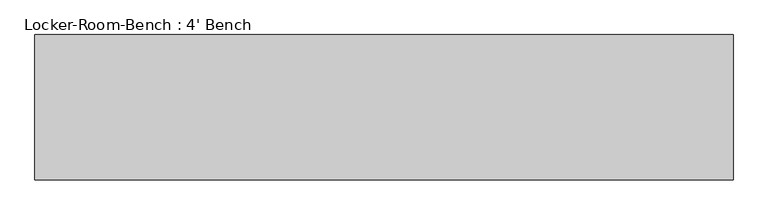
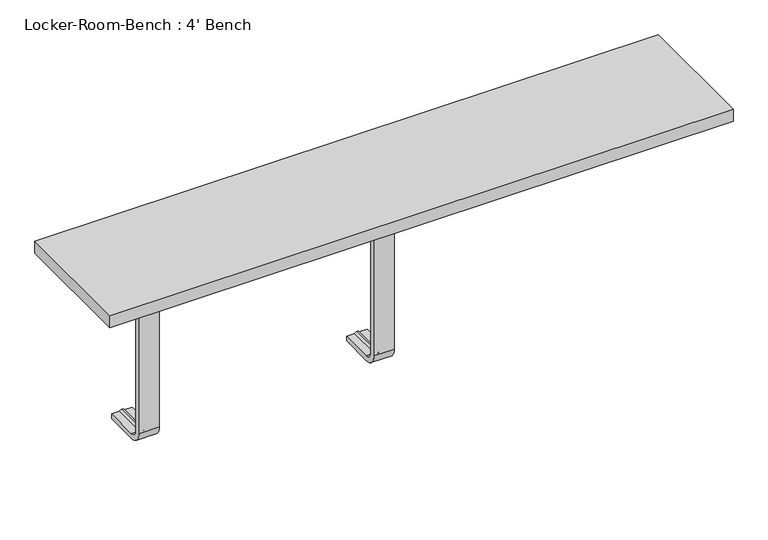
"""IFC4 building model written with IfcOpenShell, lengths in millimetres: furniture geometry, Locker-Room-Bench : 4' Bench."""

from ifc_helpers import new_model, si_unit, point, frame, origin, place, context, project, spatial, polyline, circle_curve, ellipse_curve, trimmed, outline, extrude, source, transform, mapped, element, save
from ifc_brep_helpers import plane_surface, cylinder_surface, revolved_surface, advanced_brep


def locker_room_bench_4_bench_68e361d2(model_context):
    return source(origin(), model_context, "Body", "SolidModel", [
        advanced_brep(
        [(-439.6, 92.0, 381.4), (-439.6, 92.0, 371.4), (-454.6, 92.0, 371.4), (-459.6, 92.0, 369.0684617), (-464.6, 92.0, 371.4), (-479.6, 92.0, 371.4), (-479.6, 92.0, 381.4), (-479.6, 25.0, 381.4), (-439.6, 25.0, 381.4), (-479.6, 25.0, 371.4), (-479.6, 10.0, 356.4), (-479.6, 10.0, 40.0), (-479.6, 25.0, 25.0), (-479.6, 92.0, 25.0), (-479.6, 92.0, 15.0), (-479.6, 25.0, 15.0), (-479.6, 0.0, 40.0), (-479.6, 0.0, 356.4), (-464.6, 25.0, 371.4), (-459.6, 25.0, 369.0684617), (-454.6, 25.0, 371.4), (-439.6, 25.0, 371.4), (-439.6, 0.0, 356.4), (-439.6, 0.0, 40.0), (-439.6, 25.0, 15.0), (-439.6, 92.0, 15.0), (-439.6, 92.0, 25.0), (-439.6, 25.0, 25.0), (-439.6, 10.0, 40.0), (-439.6, 10.0, 356.4), (-464.6, 10.0, 356.4), (-459.6, 12.3315383, 356.4), (-454.6, 10.0, 356.4), (-464.6, 10.0, 40.0), (-459.6, 12.3315383, 40.0), (-454.6, 10.0, 40.0), (-464.6, 25.0, 25.0), (-459.6, 25.0, 27.3315383), (-454.6, 25.0, 25.0), (-464.6, 92.0, 25.0), (-459.6, 92.0, 27.3315383), (-454.6, 92.0, 25.0)],
        [
            (0, 1),
            (1, 2),
            (2, 3, circle_curve(frame((-459.3003591, 92.0, 374.9529162), z_axis=(0.0, 1.0, 0.0), x_axis=(0.0, 0.0, 1.0)), 5.8920785)),
            (3, 4, circle_curve(frame((-459.8996409, 92.0, 374.9529162), z_axis=(0.0, 1.0, 0.0), x_axis=(0.0, 0.0, 1.0)), 5.8920785)),
            (4, 5),
            (5, 6),
            (6, 0),
            (6, 7),
            (7, 8),
            (8, 0),
            (5, 9),
            (9, 10, circle_curve(frame((-479.6, 25.0, 356.4), z_axis=(1.0, 0.0, 0.0), x_axis=(0.0, 0.0, 1.0)), 15.0)),
            (10, 11),
            (11, 12, circle_curve(frame((-479.6, 25.0, 40.0), z_axis=(1.0, 0.0, 0.0), x_axis=(0.0, -1.0, 0.0)), 15.0)),
            (12, 13),
            (13, 14),
            (14, 15),
            (15, 16, circle_curve(frame((-479.6, 25.0, 40.0), z_axis=(-1.0, 0.0, 0.0), x_axis=(0.0, -1.0, 0.0)), 25.0)),
            (16, 17),
            (17, 7, circle_curve(frame((-479.6, 25.0, 356.4), z_axis=(-1.0, 0.0, 0.0), x_axis=(0.0, 0.0, 1.0)), 25.0)),
            (4, 18),
            (18, 9),
            (3, 19),
            (19, 18, circle_curve(frame((-459.8996409, 25.0, 374.9529162), z_axis=(0.0, 1.0, 0.0), x_axis=(0.0, 0.0, 1.0)), 5.8920785)),
            (2, 20),
            (20, 19, circle_curve(frame((-459.3003591, 25.0, 374.9529162), z_axis=(0.0, 1.0, 0.0), x_axis=(0.0, 0.0, 1.0)), 5.8920785)),
            (1, 21),
            (21, 20),
            (8, 22, circle_curve(frame((-439.6, 25.0, 356.4), z_axis=(1.0, 0.0, 0.0), x_axis=(0.0, 0.0, 1.0)), 25.0)),
            (22, 23),
            (23, 24, circle_curve(frame((-439.6, 25.0, 40.0), z_axis=(1.0, 0.0, 0.0), x_axis=(0.0, -1.0, 0.0)), 25.0)),
            (24, 25),
            (25, 26),
            (26, 27),
            (27, 28, circle_curve(frame((-439.6, 25.0, 40.0), z_axis=(-1.0, 0.0, 0.0), x_axis=(0.0, -1.0, 0.0)), 15.0)),
            (28, 29),
            (29, 21, circle_curve(frame((-439.6, 25.0, 356.4), z_axis=(-1.0, 0.0, 0.0), x_axis=(0.0, 0.0, 1.0)), 15.0)),
            (17, 22),
            (30, 10),
            (18, 30, circle_curve(frame((-464.6, 25.0, 356.4), z_axis=(1.0, 0.0, 0.0), x_axis=(0.0, 0.0, 1.0)), 15.0)),
            (31, 30, circle_curve(frame((-459.8996409, 6.4470838, 356.4), z_axis=(0.0, 0.0, 1.0), x_axis=(0.0, -1.0, 0.0)), 5.8920785)),
            (19, 31, circle_curve(frame((-459.6, 25.0, 356.4), z_axis=(1.0, 0.0, 0.0), x_axis=(0.0, 0.0, 1.0)), 12.6684617)),
            (32, 31, circle_curve(frame((-459.3003591, 6.4470838, 356.4), z_axis=(0.0, 0.0, 1.0), x_axis=(0.0, -1.0, 0.0)), 5.8920785)),
            (20, 32, circle_curve(frame((-454.6, 25.0, 356.4), z_axis=(1.0, 0.0, 0.0), x_axis=(0.0, 0.0, 1.0)), 15.0)),
            (29, 32),
            (16, 23),
            (30, 33),
            (33, 11),
            (31, 34),
            (34, 33, circle_curve(frame((-459.8996409, 6.4470838, 40.0), z_axis=(0.0, 0.0, 1.0), x_axis=(0.0, -1.0, 0.0)), 5.8920785)),
            (32, 35),
            (35, 34, circle_curve(frame((-459.3003591, 6.4470838, 40.0), z_axis=(0.0, 0.0, 1.0), x_axis=(0.0, -1.0, 0.0)), 5.8920785)),
            (28, 35),
            (15, 24),
            (36, 12),
            (33, 36, circle_curve(frame((-464.6, 25.0, 40.0), z_axis=(1.0, 0.0, 0.0), x_axis=(0.0, -1.0, 0.0)), 15.0)),
            (37, 36, circle_curve(frame((-459.8996409, 25.0, 21.4470838), z_axis=(0.0, -1.0, 0.0), x_axis=(0.0, 0.0, -1.0)), 5.8920785)),
            (34, 37, circle_curve(frame((-459.6, 25.0, 40.0), z_axis=(1.0, 0.0, 0.0), x_axis=(0.0, -1.0, 0.0)), 12.6684617)),
            (38, 37, circle_curve(frame((-459.3003591, 25.0, 21.4470838), z_axis=(0.0, -1.0, 0.0), x_axis=(0.0, 0.0, -1.0)), 5.8920785)),
            (35, 38, circle_curve(frame((-454.6, 25.0, 40.0), z_axis=(1.0, 0.0, 0.0), x_axis=(0.0, -1.0, 0.0)), 15.0)),
            (27, 38),
            (25, 14),
            (13, 39),
            (39, 40, circle_curve(frame((-459.8996409, 92.0, 21.4470838), z_axis=(0.0, 1.0, 0.0), x_axis=(0.0, 0.0, -1.0)), 5.8920785)),
            (40, 41, circle_curve(frame((-459.3003591, 92.0, 21.4470838), z_axis=(0.0, 1.0, 0.0), x_axis=(0.0, 0.0, -1.0)), 5.8920785)),
            (41, 26),
            (36, 39),
            (37, 40),
            (38, 41),
        ],
        [
            plane_surface(frame((-459.6, 92.0, 381.4), z_axis=(0.0, 1.0, 0.0), x_axis=(1.0, 0.0, 0.0))),
            plane_surface(frame((-439.6, 92.0, 381.4), z_axis=(0.0, 0.0, 1.0), x_axis=(0.0, -1.0, 0.0))),
            plane_surface(frame((-479.6, 92.0, 381.4), z_axis=(-1.0, 0.0, 0.0), x_axis=(0.0, -1.0, 0.0))),
            plane_surface(frame((-479.6, 92.0, 371.4), z_axis=(0.0, 0.0, -1.0), x_axis=(0.0, -1.0, 0.0))),
            cylinder_surface(frame((-459.8996409, 92.0, 374.9529162), z_axis=(0.0, 1.0, 0.0), x_axis=(0.0, 0.0, 1.0)), 5.8920785),
            cylinder_surface(frame((-459.3003591, 92.0, 374.9529162), z_axis=(0.0, 1.0, 0.0), x_axis=(0.0, 0.0, 1.0)), 5.8920785),
            plane_surface(frame((-454.6, 92.0, 371.4), z_axis=(0.0, 0.0, -1.0), x_axis=(0.0, -1.0, 0.0))),
            plane_surface(frame((-439.6, 92.0, 371.4), z_axis=(1.0, 0.0, 0.0), x_axis=(0.0, -1.0, 0.0))),
            cylinder_surface(frame((-459.6, 25.0, 356.4), z_axis=(-1.0, 0.0, 0.0), x_axis=(0.0, 0.0, 1.0)), 25.0),
            revolved_surface(polyline([(-479.6, 25.0, 371.4), (-464.6, 25.0, 371.4)]), (-459.6, 25.0, 356.4), (-1.0, 0.0, 0.0)),
            revolved_surface(trimmed(ellipse_curve(frame((-459.8996409, 25.0, 374.9529162), z_axis=(0.0, -1.0, 0.0), x_axis=(0.0, 0.0, 1.0)), 5.8920785, 5.8920785), [point((-464.6, 25.0, 371.4))], [point((-459.6, 25.0, 369.0684617))], True, "CARTESIAN"), (-459.6, 25.0, 356.4), (-1.0, 0.0, 0.0)),
            revolved_surface(trimmed(ellipse_curve(frame((-459.3003591, 25.0, 374.9529162), z_axis=(0.0, -1.0, 0.0), x_axis=(0.0, 0.0, 1.0)), 5.8920785, 5.8920785), [point((-459.6, 25.0, 369.0684617))], [point((-454.6, 25.0, 371.4))], True, "CARTESIAN"), (-459.6, 25.0, 356.4), (-1.0, 0.0, 0.0)),
            revolved_surface(polyline([(-454.6, 25.0, 371.4), (-439.6, 25.0, 371.4)]), (-459.6, 25.0, 356.4), (-1.0, 0.0, 0.0)),
            plane_surface(frame((-439.6, 0.0, 356.4), z_axis=(0.0, -1.0, 0.0), x_axis=(0.0, 0.0, -1.0))),
            plane_surface(frame((-479.6, 10.0, 356.4), z_axis=(0.0, 1.0, 0.0), x_axis=(0.0, 0.0, -1.0))),
            cylinder_surface(frame((-459.8996409, 6.4470838, 356.4), z_axis=(0.0, 0.0, 1.0), x_axis=(0.0, -1.0, 0.0)), 5.8920785),
            cylinder_surface(frame((-459.3003591, 6.4470838, 356.4), z_axis=(0.0, 0.0, 1.0), x_axis=(0.0, -1.0, 0.0)), 5.8920785),
            plane_surface(frame((-454.6, 10.0, 356.4), z_axis=(0.0, 1.0, 0.0), x_axis=(0.0, 0.0, -1.0))),
            cylinder_surface(frame((-459.6, 25.0, 40.0), z_axis=(-1.0, 0.0, 0.0), x_axis=(0.0, -1.0, 0.0)), 25.0),
            revolved_surface(polyline([(-479.6, 10.0, 40.0), (-464.6, 10.0, 40.0)]), (-459.6, 25.0, 40.0), (-1.0, 0.0, 0.0)),
            revolved_surface(trimmed(ellipse_curve(frame((-459.8996409, 6.4470838, 40.0), z_axis=(0.0, 0.0, -1.0), x_axis=(0.0, -1.0, 0.0)), 5.8920785, 5.8920785), [point((-464.6, 10.0, 40.0))], [point((-459.6, 12.3315383, 40.0))], True, "CARTESIAN"), (-459.6, 25.0, 40.0), (-1.0, 0.0, 0.0)),
            revolved_surface(trimmed(ellipse_curve(frame((-459.3003591, 6.4470838, 40.0), z_axis=(0.0, 0.0, -1.0), x_axis=(0.0, -1.0, 0.0)), 5.8920785, 5.8920785), [point((-459.6, 12.3315383, 40.0))], [point((-454.6, 10.0, 40.0))], True, "CARTESIAN"), (-459.6, 25.0, 40.0), (-1.0, 0.0, 0.0)),
            revolved_surface(polyline([(-454.6, 10.0, 40.0), (-439.6, 10.0, 40.0)]), (-459.6, 25.0, 40.0), (-1.0, 0.0, 0.0)),
            plane_surface(frame((-459.6, 92.0, 15.0), z_axis=(0.0, 1.0, 0.0), x_axis=(1.0, 0.0, 0.0))),
            plane_surface(frame((-439.6, 25.0, 15.0), z_axis=(0.0, 0.0, -1.0), x_axis=(0.0, 1.0, 0.0))),
            plane_surface(frame((-479.6, 25.0, 25.0), z_axis=(0.0, 0.0, 1.0), x_axis=(0.0, 1.0, 0.0))),
            cylinder_surface(frame((-459.8996409, 25.0, 21.4470838), z_axis=(0.0, -1.0, 0.0), x_axis=(0.0, 0.0, -1.0)), 5.8920785),
            cylinder_surface(frame((-459.3003591, 25.0, 21.4470838), z_axis=(0.0, -1.0, 0.0), x_axis=(0.0, 0.0, -1.0)), 5.8920785),
            plane_surface(frame((-454.6, 25.0, 25.0), z_axis=(0.0, 0.0, 1.0), x_axis=(0.0, 1.0, 0.0))),
        ],
        [
            (0, [[1, 2, 3, 4, 5, 6, 7]]),
            (1, [[8, 9, 10, -7]]),
            (2, [[11, 12, 13, 14, 15, 16, 17, 18, 19, 20, -8, -6]]),
            (3, [[21, 22, -11, -5]]),
            (4, [[23, 24, -21, -4]]),
            (5, [[25, 26, -23, -3]]),
            (6, [[27, 28, -25, -2]]),
            (7, [[-10, 29, 30, 31, 32, 33, 34, 35, 36, 37, -27, -1]]),
            (8, [[38, -29, -9, -20]]),
            (9, [[39, -12, -22, 40]]),
            (10, [[41, -40, -24, 42]]),
            (11, [[43, -42, -26, 44]]),
            (12, [[45, -44, -28, -37]]),
            (13, [[-19, 46, -30, -38]]),
            (14, [[47, 48, -13, -39]]),
            (15, [[49, 50, -47, -41]]),
            (16, [[51, 52, -49, -43]]),
            (17, [[-36, 53, -51, -45]]),
            (18, [[54, -31, -46, -18]]),
            (19, [[55, -14, -48, 56]]),
            (20, [[57, -56, -50, 58]]),
            (21, [[59, -58, -52, 60]]),
            (22, [[61, -60, -53, -35]]),
            (23, [[62, -16, 63, 64, 65, 66, -33]]),
            (24, [[-17, -62, -32, -54]]),
            (25, [[67, -63, -15, -55]]),
            (26, [[68, -64, -67, -57]]),
            (27, [[69, -65, -68, -59]]),
            (28, [[-34, -66, -69, -61]]),
        ],
    ),
        advanced_brep(
        [(20.0, 92.0, 381.4), (20.0, 92.0, 371.4), (5.0, 92.0, 371.4), (0.0, 92.0, 369.0684617), (-5.0, 92.0, 371.4), (-20.0, 92.0, 371.4), (-20.0, 92.0, 381.4), (-20.0, 25.0, 381.4), (20.0, 25.0, 381.4), (-20.0, 25.0, 371.4), (-20.0, 10.0, 356.4), (-20.0, 10.0, 40.0), (-20.0, 25.0, 25.0), (-20.0, 92.0, 25.0), (-20.0, 92.0, 15.0), (-20.0, 25.0, 15.0), (-20.0, 0.0, 40.0), (-20.0, 0.0, 356.4), (-5.0, 25.0, 371.4), (0.0, 25.0, 369.0684617), (5.0, 25.0, 371.4), (20.0, 25.0, 371.4), (20.0, 0.0, 356.4), (20.0, 0.0, 40.0), (20.0, 25.0, 15.0), (20.0, 92.0, 15.0), (20.0, 92.0, 25.0), (20.0, 25.0, 25.0), (20.0, 10.0, 40.0), (20.0, 10.0, 356.4), (-5.0, 10.0, 356.4), (0.0, 12.3315383, 356.4), (5.0, 10.0, 356.4), (-5.0, 10.0, 40.0), (0.0, 12.3315383, 40.0), (5.0, 10.0, 40.0), (-5.0, 25.0, 25.0), (0.0, 25.0, 27.3315383), (5.0, 25.0, 25.0), (-5.0, 92.0, 25.0), (0.0, 92.0, 27.3315383), (5.0, 92.0, 25.0)],
        [
            (0, 1),
            (1, 2),
            (2, 3, circle_curve(frame((0.2996409, 92.0, 374.9529162), z_axis=(0.0, 1.0, 0.0), x_axis=(0.0, 0.0, 1.0)), 5.8920785)),
            (3, 4, circle_curve(frame((-0.2996409, 92.0, 374.9529162), z_axis=(0.0, 1.0, 0.0), x_axis=(0.0, 0.0, 1.0)), 5.8920785)),
            (4, 5),
            (5, 6),
            (6, 0),
            (6, 7),
            (7, 8),
            (8, 0),
            (5, 9),
            (9, 10, circle_curve(frame((-20.0, 25.0, 356.4), z_axis=(1.0, 0.0, 0.0), x_axis=(0.0, 0.0, 1.0)), 15.0)),
            (10, 11),
            (11, 12, circle_curve(frame((-20.0, 25.0, 40.0), z_axis=(1.0, 0.0, 0.0), x_axis=(0.0, -1.0, 0.0)), 15.0)),
            (12, 13),
            (13, 14),
            (14, 15),
            (15, 16, circle_curve(frame((-20.0, 25.0, 40.0), z_axis=(-1.0, 0.0, 0.0), x_axis=(0.0, -1.0, 0.0)), 25.0)),
            (16, 17),
            (17, 7, circle_curve(frame((-20.0, 25.0, 356.4), z_axis=(-1.0, 0.0, 0.0), x_axis=(0.0, 0.0, 1.0)), 25.0)),
            (4, 18),
            (18, 9),
            (3, 19),
            (19, 18, circle_curve(frame((-0.2996409, 25.0, 374.9529162), z_axis=(0.0, 1.0, 0.0), x_axis=(0.0, 0.0, 1.0)), 5.8920785)),
            (2, 20),
            (20, 19, circle_curve(frame((0.2996409, 25.0, 374.9529162), z_axis=(0.0, 1.0, 0.0), x_axis=(0.0, 0.0, 1.0)), 5.8920785)),
            (1, 21),
            (21, 20),
            (8, 22, circle_curve(frame((20.0, 25.0, 356.4), z_axis=(1.0, 0.0, 0.0), x_axis=(0.0, 0.0, 1.0)), 25.0)),
            (22, 23),
            (23, 24, circle_curve(frame((20.0, 25.0, 40.0), z_axis=(1.0, 0.0, 0.0), x_axis=(0.0, -1.0, 0.0)), 25.0)),
            (24, 25),
            (25, 26),
            (26, 27),
            (27, 28, circle_curve(frame((20.0, 25.0, 40.0), z_axis=(-1.0, 0.0, 0.0), x_axis=(0.0, -1.0, 0.0)), 15.0)),
            (28, 29),
            (29, 21, circle_curve(frame((20.0, 25.0, 356.4), z_axis=(-1.0, 0.0, 0.0), x_axis=(0.0, 0.0, 1.0)), 15.0)),
            (17, 22),
            (30, 10),
            (18, 30, circle_curve(frame((-5.0, 25.0, 356.4), z_axis=(1.0, 0.0, 0.0), x_axis=(0.0, 0.0, 1.0)), 15.0)),
            (31, 30, circle_curve(frame((-0.2996409, 6.4470838, 356.4), z_axis=(0.0, 0.0, 1.0), x_axis=(0.0, -1.0, 0.0)), 5.8920785)),
            (19, 31, circle_curve(frame((0.0, 25.0, 356.4), z_axis=(1.0, 0.0, 0.0), x_axis=(0.0, 0.0, 1.0)), 12.6684617)),
            (32, 31, circle_curve(frame((0.2996409, 6.4470838, 356.4), z_axis=(0.0, 0.0, 1.0), x_axis=(0.0, -1.0, 0.0)), 5.8920785)),
            (20, 32, circle_curve(frame((5.0, 25.0, 356.4), z_axis=(1.0, 0.0, 0.0), x_axis=(0.0, 0.0, 1.0)), 15.0)),
            (29, 32),
            (16, 23),
            (30, 33),
            (33, 11),
            (31, 34),
            (34, 33, circle_curve(frame((-0.2996409, 6.4470838, 40.0), z_axis=(0.0, 0.0, 1.0), x_axis=(0.0, -1.0, 0.0)), 5.8920785)),
            (32, 35),
            (35, 34, circle_curve(frame((0.2996409, 6.4470838, 40.0), z_axis=(0.0, 0.0, 1.0), x_axis=(0.0, -1.0, 0.0)), 5.8920785)),
            (28, 35),
            (15, 24),
            (36, 12),
            (33, 36, circle_curve(frame((-5.0, 25.0, 40.0), z_axis=(1.0, 0.0, 0.0), x_axis=(0.0, -1.0, 0.0)), 15.0)),
            (37, 36, circle_curve(frame((-0.2996409, 25.0, 21.4470838), z_axis=(0.0, -1.0, 0.0), x_axis=(0.0, 0.0, -1.0)), 5.8920785)),
            (34, 37, circle_curve(frame((0.0, 25.0, 40.0), z_axis=(1.0, 0.0, 0.0), x_axis=(0.0, -1.0, 0.0)), 12.6684617)),
            (38, 37, circle_curve(frame((0.2996409, 25.0, 21.4470838), z_axis=(0.0, -1.0, 0.0), x_axis=(0.0, 0.0, -1.0)), 5.8920785)),
            (35, 38, circle_curve(frame((5.0, 25.0, 40.0), z_axis=(1.0, 0.0, 0.0), x_axis=(0.0, -1.0, 0.0)), 15.0)),
            (27, 38),
            (25, 14),
            (13, 39),
            (39, 40, circle_curve(frame((-0.2996409, 92.0, 21.4470838), z_axis=(0.0, 1.0, 0.0), x_axis=(0.0, 0.0, -1.0)), 5.8920785)),
            (40, 41, circle_curve(frame((0.2996409, 92.0, 21.4470838), z_axis=(0.0, 1.0, 0.0), x_axis=(0.0, 0.0, -1.0)), 5.8920785)),
            (41, 26),
            (36, 39),
            (37, 40),
            (38, 41),
        ],
        [
            plane_surface(frame((0.0, 92.0, 381.4), z_axis=(0.0, 1.0, 0.0), x_axis=(1.0, 0.0, 0.0))),
            plane_surface(frame((20.0, 92.0, 381.4), z_axis=(0.0, 0.0, 1.0), x_axis=(0.0, -1.0, 0.0))),
            plane_surface(frame((-20.0, 92.0, 381.4), z_axis=(-1.0, 0.0, 0.0), x_axis=(0.0, -1.0, 0.0))),
            plane_surface(frame((-20.0, 92.0, 371.4), z_axis=(0.0, 0.0, -1.0), x_axis=(0.0, -1.0, 0.0))),
            cylinder_surface(frame((-0.2996409, 92.0, 374.9529162), z_axis=(0.0, 1.0, 0.0), x_axis=(0.0, 0.0, 1.0)), 5.8920785),
            cylinder_surface(frame((0.2996409, 92.0, 374.9529162), z_axis=(0.0, 1.0, 0.0), x_axis=(0.0, 0.0, 1.0)), 5.8920785),
            plane_surface(frame((5.0, 92.0, 371.4), z_axis=(0.0, 0.0, -1.0), x_axis=(0.0, -1.0, 0.0))),
            plane_surface(frame((20.0, 92.0, 371.4), z_axis=(1.0, 0.0, 0.0), x_axis=(0.0, -1.0, 0.0))),
            cylinder_surface(frame((0.0, 25.0, 356.4), z_axis=(-1.0, 0.0, 0.0), x_axis=(0.0, 0.0, 1.0)), 25.0),
            revolved_surface(polyline([(-20.0, 25.0, 371.4), (-5.0, 25.0, 371.4)]), (0.0, 25.0, 356.4), (-1.0, 0.0, 0.0)),
            revolved_surface(trimmed(ellipse_curve(frame((-0.2996409, 25.0, 374.9529162), z_axis=(0.0, -1.0, 0.0), x_axis=(0.0, 0.0, 1.0)), 5.8920785, 5.8920785), [point((-5.0, 25.0, 371.4))], [point((0.0, 25.0, 369.0684617))], True, "CARTESIAN"), (0.0, 25.0, 356.4), (-1.0, 0.0, 0.0)),
            revolved_surface(trimmed(ellipse_curve(frame((0.2996409, 25.0, 374.9529162), z_axis=(0.0, -1.0, 0.0), x_axis=(0.0, 0.0, 1.0)), 5.8920785, 5.8920785), [point((0.0, 25.0, 369.0684617))], [point((5.0, 25.0, 371.4))], True, "CARTESIAN"), (0.0, 25.0, 356.4), (-1.0, 0.0, 0.0)),
            revolved_surface(polyline([(5.0, 25.0, 371.4), (20.0, 25.0, 371.4)]), (0.0, 25.0, 356.4), (-1.0, 0.0, 0.0)),
            plane_surface(frame((20.0, 0.0, 356.4), z_axis=(0.0, -1.0, 0.0), x_axis=(0.0, 0.0, -1.0))),
            plane_surface(frame((-20.0, 10.0, 356.4), z_axis=(0.0, 1.0, 0.0), x_axis=(0.0, 0.0, -1.0))),
            cylinder_surface(frame((-0.2996409, 6.4470838, 356.4), z_axis=(0.0, 0.0, 1.0), x_axis=(0.0, -1.0, 0.0)), 5.8920785),
            cylinder_surface(frame((0.2996409, 6.4470838, 356.4), z_axis=(0.0, 0.0, 1.0), x_axis=(0.0, -1.0, 0.0)), 5.8920785),
            plane_surface(frame((5.0, 10.0, 356.4), z_axis=(0.0, 1.0, 0.0), x_axis=(0.0, 0.0, -1.0))),
            cylinder_surface(frame((0.0, 25.0, 40.0), z_axis=(-1.0, 0.0, 0.0), x_axis=(0.0, -1.0, 0.0)), 25.0),
            revolved_surface(polyline([(-20.0, 10.0, 40.0), (-5.0, 10.0, 40.0)]), (0.0, 25.0, 40.0), (-1.0, 0.0, 0.0)),
            revolved_surface(trimmed(ellipse_curve(frame((-0.2996409, 6.4470838, 40.0), z_axis=(0.0, 0.0, -1.0), x_axis=(0.0, -1.0, 0.0)), 5.8920785, 5.8920785), [point((-5.0, 10.0, 40.0))], [point((0.0, 12.3315383, 40.0))], True, "CARTESIAN"), (0.0, 25.0, 40.0), (-1.0, 0.0, 0.0)),
            revolved_surface(trimmed(ellipse_curve(frame((0.2996409, 6.4470838, 40.0), z_axis=(0.0, 0.0, -1.0), x_axis=(0.0, -1.0, 0.0)), 5.8920785, 5.8920785), [point((0.0, 12.3315383, 40.0))], [point((5.0, 10.0, 40.0))], True, "CARTESIAN"), (0.0, 25.0, 40.0), (-1.0, 0.0, 0.0)),
            revolved_surface(polyline([(5.0, 10.0, 40.0), (20.0, 10.0, 40.0)]), (0.0, 25.0, 40.0), (-1.0, 0.0, 0.0)),
            plane_surface(frame((0.0, 92.0, 15.0), z_axis=(0.0, 1.0, 0.0), x_axis=(1.0, 0.0, 0.0))),
            plane_surface(frame((20.0, 25.0, 15.0), z_axis=(0.0, 0.0, -1.0), x_axis=(0.0, 1.0, 0.0))),
            plane_surface(frame((-20.0, 25.0, 25.0), z_axis=(0.0, 0.0, 1.0), x_axis=(0.0, 1.0, 0.0))),
            cylinder_surface(frame((-0.2996409, 25.0, 21.4470838), z_axis=(0.0, -1.0, 0.0), x_axis=(0.0, 0.0, -1.0)), 5.8920785),
            cylinder_surface(frame((0.2996409, 25.0, 21.4470838), z_axis=(0.0, -1.0, 0.0), x_axis=(0.0, 0.0, -1.0)), 5.8920785),
            plane_surface(frame((5.0, 25.0, 25.0), z_axis=(0.0, 0.0, 1.0), x_axis=(0.0, 1.0, 0.0))),
        ],
        [
            (0, [[1, 2, 3, 4, 5, 6, 7]]),
            (1, [[8, 9, 10, -7]]),
            (2, [[11, 12, 13, 14, 15, 16, 17, 18, 19, 20, -8, -6]]),
            (3, [[21, 22, -11, -5]]),
            (4, [[23, 24, -21, -4]]),
            (5, [[25, 26, -23, -3]]),
            (6, [[27, 28, -25, -2]]),
            (7, [[-10, 29, 30, 31, 32, 33, 34, 35, 36, 37, -27, -1]]),
            (8, [[38, -29, -9, -20]]),
            (9, [[39, -12, -22, 40]]),
            (10, [[41, -40, -24, 42]]),
            (11, [[43, -42, -26, 44]]),
            (12, [[45, -44, -28, -37]]),
            (13, [[-19, 46, -30, -38]]),
            (14, [[47, 48, -13, -39]]),
            (15, [[49, 50, -47, -41]]),
            (16, [[51, 52, -49, -43]]),
            (17, [[-36, 53, -51, -45]]),
            (18, [[54, -31, -46, -18]]),
            (19, [[55, -14, -48, 56]]),
            (20, [[57, -56, -50, 58]]),
            (21, [[59, -58, -52, 60]]),
            (22, [[61, -60, -53, -35]]),
            (23, [[62, -16, 63, 64, 65, 66, -33]]),
            (24, [[-17, -62, -32, -54]]),
            (25, [[67, -63, -15, -55]]),
            (26, [[68, -64, -67, -57]]),
            (27, [[69, -65, -68, -59]]),
            (28, [[-34, -66, -69, -61]]),
        ],
    ),
        extrude(outline(polyline([(609.6, -127.0), (-609.6, -127.0), (-609.6, 127.0), (609.6, 127.0), (609.6, -127.0)])), frame((0.0, 0.0, 381.4), z_axis=(0.0, 0.0, 1.0), x_axis=(1.0, 0.0, 0.0)), (0.0, 0.0, 1.0), 25.0),
    ])


if __name__ == "__main__":
    model = new_model("IFC4")
    model_context = context("Model", 3, world=origin())
    ifc_project = project(units=[si_unit("LENGTHUNIT", "METRE", prefix="MILLI")], contexts=[model_context])
    site = spatial("IfcSite", under=ifc_project)
    building = spatial("IfcBuilding", under=site)
    placement = place(None, origin())
    locker_room_bench_4_bench_shape = locker_room_bench_4_bench_68e361d2(model_context)
    element("IfcFurniture", 1, ObjectType="Locker-Room-Bench : 4' Bench", at=placement, inside=building, context=model_context, shape_type="MappedRepresentation", body=[
        mapped(locker_room_bench_4_bench_shape, transform((0.0, 0.0, 0.0), x_axis=(1.0, 0.0, 0.0), y_axis=(0.0, 1.0, 0.0), z_axis=(0.0, 0.0, 1.0))),
    ])
    save(model, "model.ifc")
